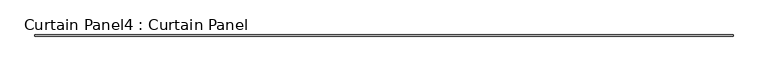
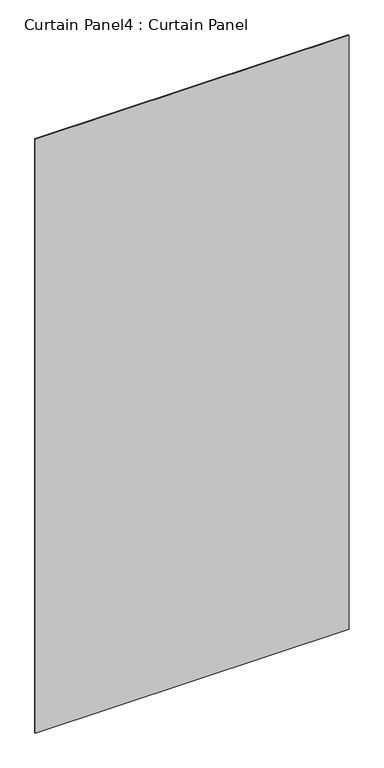
"""IFC4 building model written with IfcOpenShell, lengths in millimetres: plate geometry, Curtain Panel4 : Curtain Panel."""

from ifc_helpers import new_model, si_unit, frame, origin, place, context, project, spatial, polyline, outline, extrude, source, transform, mapped, element, save


def curtain_panel4_curtain_panel_94dc48df(model_context):
    return source(origin(), model_context, "Body", "SweptSolid", [
        extrude(outline(polyline([(75430.363518, 2929.6776643), (72429.988518, 2929.6776643), (72429.988518, 2936.0276643), (75430.363518, 2936.0276643), (75430.363518, 2929.6776643)])), frame((0.0, 0.0, -897.7258104), z_axis=(0.0, 0.0, 1.0), x_axis=(1.0, 0.0, 0.0)), (0.0, 0.0, 1.0), 6000.75),
    ])


if __name__ == "__main__":
    model = new_model("IFC4")
    model_context = context("Model", 3, world=origin())
    ifc_project = project(units=[si_unit("LENGTHUNIT", "METRE", prefix="MILLI")], contexts=[model_context])
    site = spatial("IfcSite", under=ifc_project)
    building = spatial("IfcBuilding", under=site)
    placement = place(None, origin())
    curtain_panel4_curtain_panel_shape = curtain_panel4_curtain_panel_94dc48df(model_context)
    element("IfcPlate", 1, ObjectType="Curtain Panel4 : Curtain Panel", at=placement, inside=building, context=model_context, shape_type="MappedRepresentation", body=[
        mapped(curtain_panel4_curtain_panel_shape, transform((0.0, 0.0, 0.0), x_axis=(1.0, 0.0, 0.0), y_axis=(0.0, 1.0, 0.0), z_axis=(0.0, 0.0, 1.0))),
    ])
    save(model, "model.ifc")
